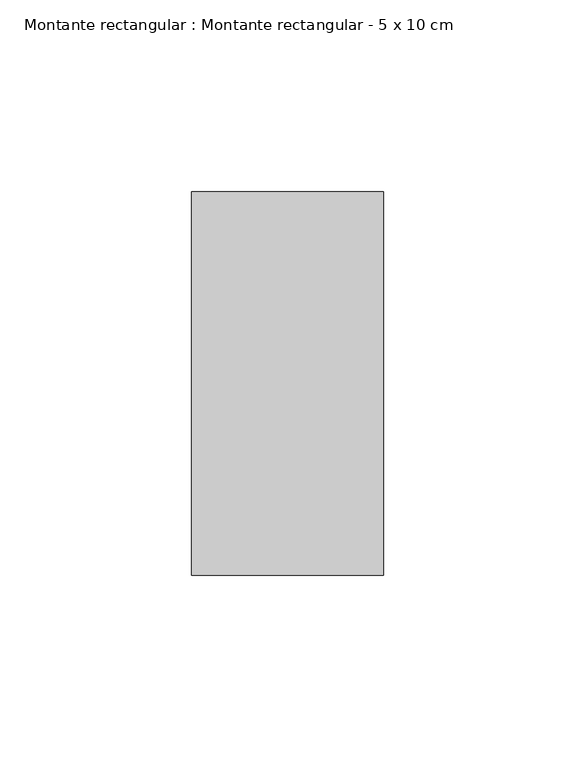
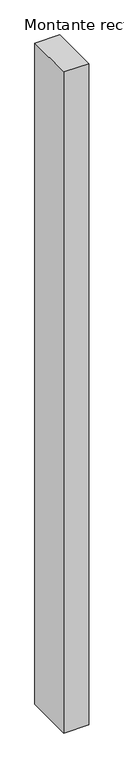
"""IFC4 building model written with IfcOpenShell, lengths in millimetres: member geometry, Montante rectangular : Montante rectangular - 5 x 10 cm."""

from ifc_helpers import new_model, si_unit, frame, origin, place, context, project, spatial, polyline, outline, extrude, source, transform, mapped, element, save


def montante_rectangular_montante_rectangular_5_x_10_cm_c976929c(model_context):
    return source(origin(), model_context, "Body", "SweptSolid", [
        extrude(outline(polyline([(-50.0, 50.0), (0.0, 50.0), (0.0, -50.0), (-50.0, -50.0), (-50.0, 50.0)])), frame((0.0, 0.0, -1400.0), z_axis=(0.0, 0.0, 1.0), x_axis=(1.0, 0.0, 0.0)), (0.0, 0.0, 1.0), 1400.0),
    ])


if __name__ == "__main__":
    model = new_model("IFC4")
    model_context = context("Model", 3, world=origin())
    ifc_project = project(units=[si_unit("LENGTHUNIT", "METRE", prefix="MILLI")], contexts=[model_context])
    site = spatial("IfcSite", under=ifc_project)
    building = spatial("IfcBuilding", under=site)
    placement = place(None, origin())
    montante_rectangular_montante_rectangular_5_x_10_cm_shape = montante_rectangular_montante_rectangular_5_x_10_cm_c976929c(model_context)
    element("IfcMember", 1, ObjectType="Montante rectangular : Montante rectangular - 5 x 10 cm", at=placement, inside=building, context=model_context, shape_type="MappedRepresentation", body=[
        mapped(montante_rectangular_montante_rectangular_5_x_10_cm_shape, transform((0.0, 0.0, 0.0), x_axis=(1.0, 0.0, 0.0), y_axis=(0.0, 1.0, 0.0), z_axis=(0.0, 0.0, 1.0))),
    ])
    save(model, "model.ifc")
